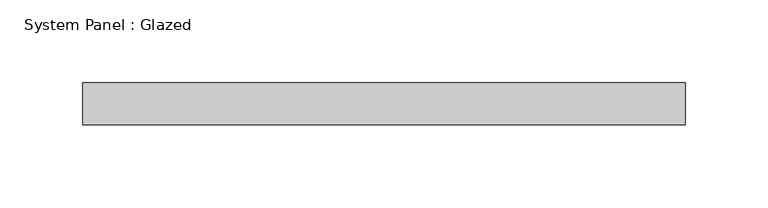
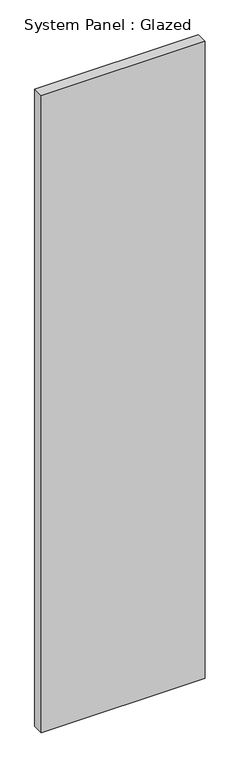
"""IFC4 building model written with IfcOpenShell, lengths in millimetres: plate geometry, System Panel : Glazed."""

from ifc_helpers import new_model, si_unit, origin, origin_with_axes, place, context, project, spatial, polyline, outline, extrude, source, transform, mapped, element, save


def system_panel_glazed_7e406231(model_context):
    return source(origin(), model_context, "Body", "SweptSolid", [
        extrude(outline(polyline([(182.225, -44.45), (-182.225, -44.45), (-182.225, -19.05), (182.225, -19.05), (182.225, -44.45)])), origin_with_axes(), (0.0, 0.0, 1.0), 1500.0),
    ])


if __name__ == "__main__":
    model = new_model("IFC4")
    model_context = context("Model", 3, world=origin())
    ifc_project = project(units=[si_unit("LENGTHUNIT", "METRE", prefix="MILLI")], contexts=[model_context])
    site = spatial("IfcSite", under=ifc_project)
    building = spatial("IfcBuilding", under=site)
    placement = place(None, origin())
    system_panel_glazed_shape = system_panel_glazed_7e406231(model_context)
    element("IfcPlate", 1, ObjectType="System Panel : Glazed", at=placement, inside=building, context=model_context, shape_type="MappedRepresentation", body=[
        mapped(system_panel_glazed_shape, transform((0.0, 0.0, 0.0), x_axis=(1.0, 0.0, 0.0), y_axis=(0.0, 1.0, 0.0), z_axis=(0.0, 0.0, 1.0))),
    ])
    save(model, "model.ifc")
